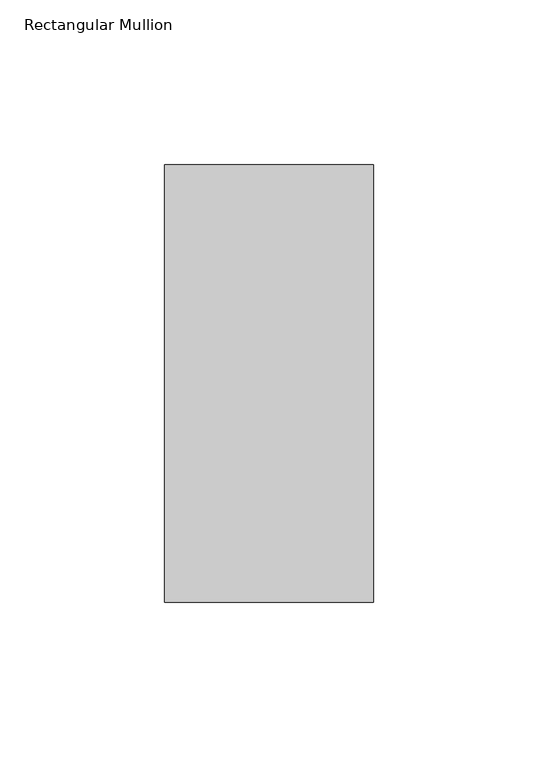
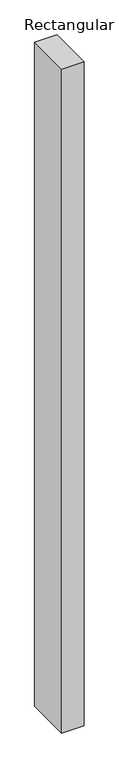
"""IFC4 building model written with IfcOpenShell, lengths in millimetres: member geometry, Rectangular Mullion."""

from ifc_helpers import new_model, si_unit, frame, origin, place, context, project, spatial, polyline, outline, extrude, source, transform, mapped, element, save


def rectangular_mullion_fe38e216(model_context):
    return source(origin(), model_context, "Body", "SweptSolid", [
        extrude(outline(polyline([(31.7499998, 184.2396938), (31.7499998, 51.2960938), (-31.7500002, 51.2960938), (-31.7500002, 184.2396938), (31.7499998, 184.2396938)])), frame((0.0, 0.0, -1993.8999999), z_axis=(0.0, 0.0, 1.0), x_axis=(1.0, 0.0, 0.0)), (0.0, 0.0, 1.0), 1993.8999999),
    ])


if __name__ == "__main__":
    model = new_model("IFC4")
    model_context = context("Model", 3, world=origin())
    ifc_project = project(units=[si_unit("LENGTHUNIT", "METRE", prefix="MILLI")], contexts=[model_context])
    site = spatial("IfcSite", under=ifc_project)
    building = spatial("IfcBuilding", under=site)
    placement = place(None, origin())
    rectangular_mullion_shape = rectangular_mullion_fe38e216(model_context)
    element("IfcMember", 1, ObjectType="Rectangular Mullion", at=placement, inside=building, context=model_context, shape_type="MappedRepresentation", body=[
        mapped(rectangular_mullion_shape, transform((0.0, 0.0, 0.0), x_axis=(1.0, 0.0, 0.0), y_axis=(0.0, 1.0, 0.0), z_axis=(0.0, 0.0, 1.0))),
    ])
    save(model, "model.ifc")
